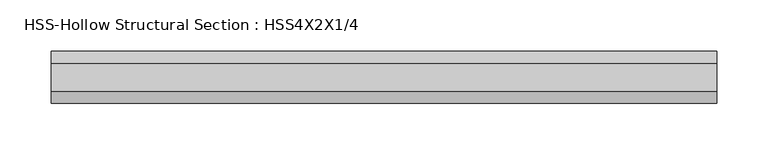
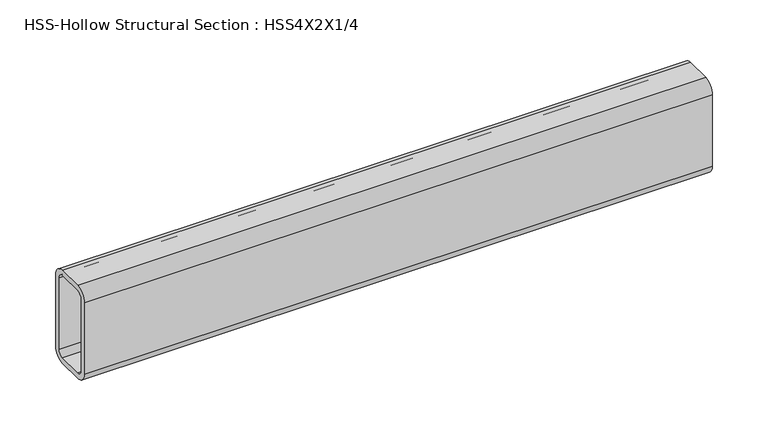
"""IFC4 building model written with IfcOpenShell, lengths in millimetres: beam geometry, HSS-Hollow Structural Section : HSS4X2X1/4."""

from ifc_helpers import new_model, si_unit, point, frame, frame_2d, origin, place, context, project, spatial, polyline, circle_curve, trimmed, segment, composite_curve, outline, extrude, source, transform, mapped, element, save


def hss_hollow_structural_section_hss4x2x1_4_b73a3fa4(model_context):
    return source(origin(), model_context, "Body", "SweptSolid", [
        extrude(outline(composite_curve([segment(polyline([(25.4, 38.9636), (25.4, -38.9636)]), True, "CONTINUOUS"), segment(trimmed(circle_curve(frame_2d((13.5636, -38.9636)), 11.8364), [point((25.4, -38.9636))], [point((13.5636, -50.8))], False, "CARTESIAN"), True, "CONTINUOUS"), segment(polyline([(13.5636, -50.8), (-13.5636, -50.8)]), True, "CONTINUOUS"), segment(trimmed(circle_curve(frame_2d((-13.5636, -38.9636)), 11.8364), [point((-13.5636, -50.8))], [point((-25.4, -38.9636))], False, "CARTESIAN"), True, "CONTINUOUS"), segment(polyline([(-25.4, -38.9636), (-25.4, 38.9636)]), True, "CONTINUOUS"), segment(trimmed(circle_curve(frame_2d((-13.5636, 38.9636)), 11.8364), [point((-25.4, 38.9636))], [point((-13.5636, 50.8))], False, "CARTESIAN"), True, "CONTINUOUS"), segment(polyline([(-13.5636, 50.8), (13.5636, 50.8)]), True, "CONTINUOUS"), segment(trimmed(circle_curve(frame_2d((13.5636, 38.9636)), 11.8364), [point((13.5636, 50.8))], [point((25.4, 38.9636))], False, "CARTESIAN"), True, "CONTINUOUS")], self_intersect=False), holes=[composite_curve([segment(trimmed(circle_curve(frame_2d((-13.5636, 38.9636)), 5.9182), [point((-13.5636, 44.8818))], [point((-19.4818, 38.9636))], True, "CARTESIAN"), True, "CONTINUOUS"), segment(polyline([(-19.4818, 38.9636), (-19.4818, -38.9636)]), True, "CONTINUOUS"), segment(trimmed(circle_curve(frame_2d((-13.5636, -38.9636)), 5.9182), [point((-19.4818, -38.9636))], [point((-13.5636, -44.8818))], True, "CARTESIAN"), True, "CONTINUOUS"), segment(polyline([(-13.5636, -44.8818), (13.5636, -44.8818)]), True, "CONTINUOUS"), segment(trimmed(circle_curve(frame_2d((13.5636, -38.9636)), 5.9182), [point((13.5636, -44.8818))], [point((19.4818, -38.9636))], True, "CARTESIAN"), True, "CONTINUOUS"), segment(polyline([(19.4818, -38.9636), (19.4818, 38.9636)]), True, "CONTINUOUS"), segment(trimmed(circle_curve(frame_2d((13.5636, 38.9636)), 5.9182), [point((19.4818, 38.9636))], [point((13.5636, 44.8818))], True, "CARTESIAN"), True, "CONTINUOUS"), segment(polyline([(13.5636, 44.8818), (-13.5636, 44.8818)]), True, "CONTINUOUS")], self_intersect=False)]), frame((-324.79996, 0.0, 0.0), z_axis=(1.0, 0.0, 0.0), x_axis=(0.0, 1.0, 0.0)), (0.0, 0.0, 1.0), 649.59992),
    ])


if __name__ == "__main__":
    model = new_model("IFC4")
    model_context = context("Model", 3, world=origin())
    ifc_project = project(units=[si_unit("LENGTHUNIT", "METRE", prefix="MILLI")], contexts=[model_context])
    site = spatial("IfcSite", under=ifc_project)
    building = spatial("IfcBuilding", under=site)
    placement = place(None, origin())
    hss_hollow_structural_section_hss4x2x1_4_shape = hss_hollow_structural_section_hss4x2x1_4_b73a3fa4(model_context)
    element("IfcBeam", 1, ObjectType="HSS-Hollow Structural Section : HSS4X2X1/4", at=placement, inside=building, context=model_context, shape_type="MappedRepresentation", body=[
        mapped(hss_hollow_structural_section_hss4x2x1_4_shape, transform((0.0, 0.0, 0.0), x_axis=(1.0, 0.0, 0.0), y_axis=(0.0, 1.0, 0.0), z_axis=(0.0, 0.0, 1.0))),
    ])
    save(model, "model.ifc")
